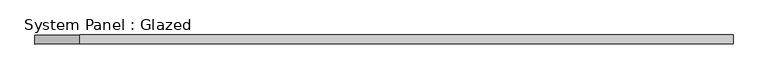
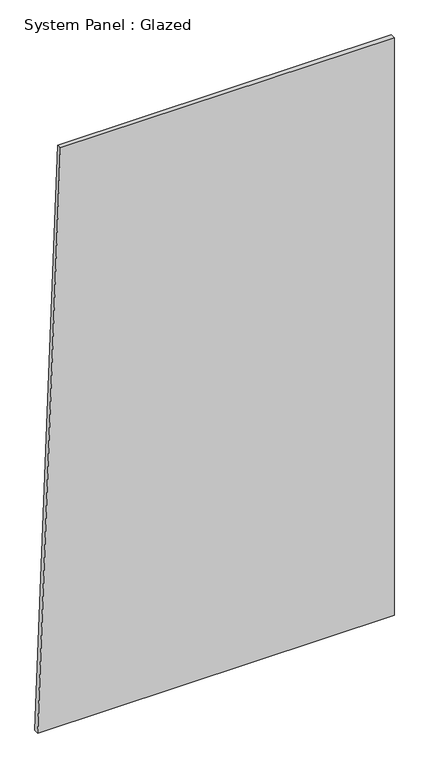
"""IFC4 building model written with IfcOpenShell, lengths in millimetres: plate geometry, System Panel : Glazed."""

from ifc_helpers import new_model, si_unit, frame, origin, place, context, project, spatial, polyline, outline, extrude, source, transform, mapped, element, save


def system_panel_glazed_a575eda3(model_context):
    return source(origin(), model_context, "Body", "SweptSolid", [
        extrude(outline(polyline([(0.0, -973.1110246), (0.0, 973.1110246), (3333.4344564, 973.1110246), (3333.4344564, -848.0782354), (0.0, -973.1110246)])), frame((0.0, -49.5, 0.0), z_axis=(0.0, 1.0, 0.0), x_axis=(0.0, 0.0, 1.0)), (0.0, 0.0, 1.0), 25.0),
    ])


if __name__ == "__main__":
    model = new_model("IFC4")
    model_context = context("Model", 3, world=origin())
    ifc_project = project(units=[si_unit("LENGTHUNIT", "METRE", prefix="MILLI")], contexts=[model_context])
    site = spatial("IfcSite", under=ifc_project)
    building = spatial("IfcBuilding", under=site)
    placement = place(None, origin())
    system_panel_glazed_shape = system_panel_glazed_a575eda3(model_context)
    element("IfcPlate", 1, ObjectType="System Panel : Glazed", at=placement, inside=building, context=model_context, shape_type="MappedRepresentation", body=[
        mapped(system_panel_glazed_shape, transform((0.0, 0.0, 0.0), x_axis=(1.0, 0.0, 0.0), y_axis=(0.0, 1.0, 0.0), z_axis=(0.0, 0.0, 1.0))),
    ])
    save(model, "model.ifc")
